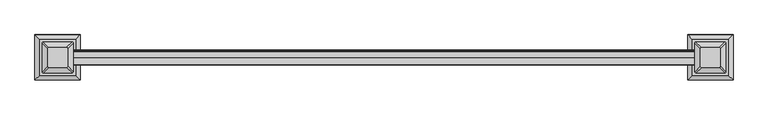
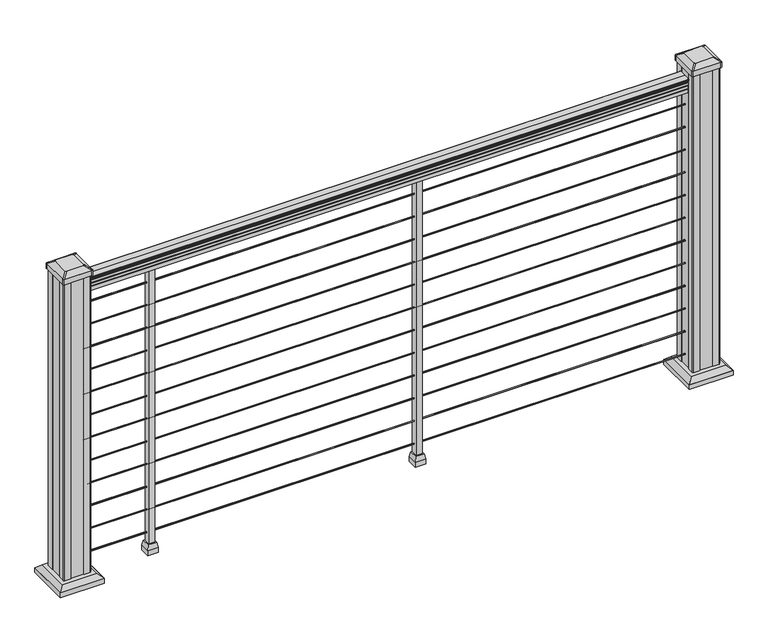
"""IFC4 building model written with IfcOpenShell, lengths in millimetres: railing geometry."""

from ifc_helpers import new_model, si_unit, point, frame, frame_2d, origin, origin_with_axes, place, context, project, spatial, polyline, circle_curve, trimmed, segment, composite_curve, outline, extrude, faceted_brep, source, transform, mapped, element, save
from ifc_brep_helpers import plane_surface, extruded_surface, advanced_brep


def railing_1e4b1fa7(model_context):
    return source(origin(), model_context, "Body", "SolidModel", [
        extrude(outline(composite_curve([segment(polyline([(-101867.7992427, 938.4043297), (-101867.7992427, 940.292412)]), True, "CONTINUOUS"), segment(trimmed(circle_curve(frame_2d((-101861.4844895, 946.0506383)), 8.545951), [point((-101867.7992427, 940.292412))], [point((-101868.929429, 941.8546695))], False, "CARTESIAN"), True, "CONTINUOUS"), segment(trimmed(circle_curve(frame_2d((-101861.9215524, 945.4636577)), 7.882584), [point((-101868.929429, 941.8546695))], [point((-101868.929429, 949.0726458))], False, "CARTESIAN"), True, "CONTINUOUS"), segment(trimmed(circle_curve(frame_2d((-101872.4348766, 951.3112527)), 4.1592695), [point((-101868.929429, 949.0726458))], [point((-101868.2801726, 951.5060812))], True, "CARTESIAN"), True, "CONTINUOUS"), segment(trimmed(circle_curve(frame_2d((-101873.7221831, 951.2508864)), 5.4479907), [point((-101868.2801726, 951.5060812))], [point((-101870.7801726, 955.8362083))], True, "CARTESIAN"), True, "CONTINUOUS"), segment(trimmed(circle_curve(frame_2d((-101872.4890247, 955.833395)), 1.7088543), [point((-101870.7801726, 955.8362083))], [point((-101872.1895151, 957.5157972))], True, "CARTESIAN"), True, "CONTINUOUS"), segment(trimmed(circle_curve(frame_2d((-101870.8721246, 958.6205318)), 1.7192895), [point((-101872.1895151, 957.5157972))], [point((-101872.5914141, 958.6205318))], False, "CARTESIAN"), True, "CONTINUOUS"), segment(polyline([(-101872.5914141, 958.6205318), (-101872.591414, 959.9608158)]), True, "CONTINUOUS"), segment(trimmed(circle_curve(frame_2d((-101871.0379668, 959.9608158)), 1.5534472), [point((-101872.591414, 959.9608158))], [point((-101871.0379668, 961.514263))], False, "CARTESIAN"), True, "CONTINUOUS"), segment(polyline([(-101871.0379668, 961.514263), (-101850.366414, 961.514263), (-101829.6948612, 961.514263)]), True, "CONTINUOUS"), segment(trimmed(circle_curve(frame_2d((-101829.6948612, 959.9608158)), 1.5534472), [point((-101829.6948612, 961.514263))], [point((-101828.141414, 959.9608158))], False, "CARTESIAN"), True, "CONTINUOUS"), segment(polyline([(-101828.141414, 959.9608158), (-101828.141414, 958.6205318)]), True, "CONTINUOUS"), segment(trimmed(circle_curve(frame_2d((-101829.8607034, 958.6205318)), 1.7192895), [point((-101828.141414, 958.6205318))], [point((-101828.5433129, 957.5157972))], False, "CARTESIAN"), True, "CONTINUOUS"), segment(trimmed(circle_curve(frame_2d((-101828.2438033, 955.833395)), 1.7088543), [point((-101828.5433129, 957.5157972))], [point((-101829.9526554, 955.8362083))], True, "CARTESIAN"), True, "CONTINUOUS"), segment(trimmed(circle_curve(frame_2d((-101827.0106449, 951.2508864)), 5.4479907), [point((-101829.9526554, 955.8362083))], [point((-101832.4526554, 951.5060812))], True, "CARTESIAN"), True, "CONTINUOUS"), segment(trimmed(circle_curve(frame_2d((-101828.2979515, 951.3112527)), 4.1592695), [point((-101832.4526554, 951.5060812))], [point((-101831.803399, 949.0726458))], True, "CARTESIAN"), True, "CONTINUOUS"), segment(trimmed(circle_curve(frame_2d((-101838.8112756, 945.4636577)), 7.882584), [point((-101831.803399, 949.0726458))], [point((-101831.803399, 941.8546695))], False, "CARTESIAN"), True, "CONTINUOUS"), segment(trimmed(circle_curve(frame_2d((-101839.2483386, 946.0506383)), 8.545951), [point((-101831.803399, 941.8546695))], [point((-101832.9335853, 940.292412))], False, "CARTESIAN"), True, "CONTINUOUS"), segment(polyline([(-101832.9335853, 940.292412), (-101832.9335853, 938.4043297)]), True, "CONTINUOUS"), segment(trimmed(circle_curve(frame_2d((-101834.2204996, 938.4043297)), 1.2869144), [point((-101832.9335853, 938.4043297))], [point((-101835.507414, 938.4043297))], False, "CARTESIAN"), True, "CONTINUOUS"), segment(polyline([(-101835.507414, 938.4043297), (-101835.507414, 927.9048283), (-101834.491414, 926.8888283), (-101834.491414, 914.4), (-101866.241414, 914.4), (-101866.241414, 926.731013), (-101865.225414, 927.747013), (-101865.225414, 938.4043297)]), True, "CONTINUOUS"), segment(trimmed(circle_curve(frame_2d((-101866.5123284, 938.4043297)), 1.2869144), [point((-101865.225414, 938.4043297))], [point((-101867.7992427, 938.4043297))], False, "CARTESIAN"), True, "CONTINUOUS")], self_intersect=False)), frame((16993.5598713, 0.0, 0.0), z_axis=(1.0, 0.0, 0.0), x_axis=(0.0, 1.0, 0.0)), (0.0, 0.0, 1.0), 1828.8),
        extrude(outline(composite_curve([segment(trimmed(circle_curve(frame_2d((-101850.366414, 65.024)), 1.5875), [point((-101848.778914, 65.024))], [point((-101850.366414, 63.4365))], False, "CARTESIAN"), True, "CONTINUOUS"), segment(trimmed(circle_curve(frame_2d((-101850.366414, 65.024)), 1.5875), [point((-101850.366414, 63.4365))], [point((-101851.953914, 65.024))], False, "CARTESIAN"), True, "CONTINUOUS"), segment(trimmed(circle_curve(frame_2d((-101850.366414, 65.024)), 1.5875), [point((-101851.953914, 65.024))], [point((-101850.366414, 66.6115))], False, "CARTESIAN"), True, "CONTINUOUS"), segment(trimmed(circle_curve(frame_2d((-101850.366414, 65.024)), 1.5875), [point((-101850.366414, 66.6115))], [point((-101848.778914, 65.024))], False, "CARTESIAN"), True, "CONTINUOUS")], self_intersect=False)), frame((16993.5598713, 0.0, 0.0), z_axis=(1.0, 0.0, 0.0), x_axis=(0.0, 1.0, 0.0)), (0.0, 0.0, 1.0), 1828.8),
        extrude(outline(composite_curve([segment(trimmed(circle_curve(frame_2d((-101850.366414, 138.176)), 1.5875), [point((-101848.778914, 138.176))], [point((-101850.366414, 136.5885))], False, "CARTESIAN"), True, "CONTINUOUS"), segment(trimmed(circle_curve(frame_2d((-101850.366414, 138.176)), 1.5875), [point((-101850.366414, 136.5885))], [point((-101851.953914, 138.176))], False, "CARTESIAN"), True, "CONTINUOUS"), segment(trimmed(circle_curve(frame_2d((-101850.366414, 138.176)), 1.5875), [point((-101851.953914, 138.176))], [point((-101850.366414, 139.7635))], False, "CARTESIAN"), True, "CONTINUOUS"), segment(trimmed(circle_curve(frame_2d((-101850.366414, 138.176)), 1.5875), [point((-101850.366414, 139.7635))], [point((-101848.778914, 138.176))], False, "CARTESIAN"), True, "CONTINUOUS")], self_intersect=False)), frame((16993.5598713, 0.0, 0.0), z_axis=(1.0, 0.0, 0.0), x_axis=(0.0, 1.0, 0.0)), (0.0, 0.0, 1.0), 1828.8),
        extrude(outline(composite_curve([segment(trimmed(circle_curve(frame_2d((-101850.366414, 211.074)), 1.5875), [point((-101848.778914, 211.074))], [point((-101850.366414, 209.4865))], False, "CARTESIAN"), True, "CONTINUOUS"), segment(trimmed(circle_curve(frame_2d((-101850.366414, 211.074)), 1.5875), [point((-101850.366414, 209.4865))], [point((-101851.953914, 211.074))], False, "CARTESIAN"), True, "CONTINUOUS"), segment(trimmed(circle_curve(frame_2d((-101850.366414, 211.074)), 1.5875), [point((-101851.953914, 211.074))], [point((-101850.366414, 212.6615))], False, "CARTESIAN"), True, "CONTINUOUS"), segment(trimmed(circle_curve(frame_2d((-101850.366414, 211.074)), 1.5875), [point((-101850.366414, 212.6615))], [point((-101848.778914, 211.074))], False, "CARTESIAN"), True, "CONTINUOUS")], self_intersect=False)), frame((16993.5598713, 0.0, 0.0), z_axis=(1.0, 0.0, 0.0), x_axis=(0.0, 1.0, 0.0)), (0.0, 0.0, 1.0), 1828.8),
        extrude(outline(composite_curve([segment(trimmed(circle_curve(frame_2d((-101850.366414, 284.226)), 1.5875), [point((-101848.778914, 284.226))], [point((-101850.366414, 282.6385))], False, "CARTESIAN"), True, "CONTINUOUS"), segment(trimmed(circle_curve(frame_2d((-101850.366414, 284.226)), 1.5875), [point((-101850.366414, 282.6385))], [point((-101851.953914, 284.226))], False, "CARTESIAN"), True, "CONTINUOUS"), segment(trimmed(circle_curve(frame_2d((-101850.366414, 284.226)), 1.5875), [point((-101851.953914, 284.226))], [point((-101850.366414, 285.8135))], False, "CARTESIAN"), True, "CONTINUOUS"), segment(trimmed(circle_curve(frame_2d((-101850.366414, 284.226)), 1.5875), [point((-101850.366414, 285.8135))], [point((-101848.778914, 284.226))], False, "CARTESIAN"), True, "CONTINUOUS")], self_intersect=False)), frame((16993.5598713, 0.0, 0.0), z_axis=(1.0, 0.0, 0.0), x_axis=(0.0, 1.0, 0.0)), (0.0, 0.0, 1.0), 1828.8),
        extrude(outline(composite_curve([segment(trimmed(circle_curve(frame_2d((-101850.366414, 357.124)), 1.5875), [point((-101848.778914, 357.124))], [point((-101850.366414, 355.5365))], False, "CARTESIAN"), True, "CONTINUOUS"), segment(trimmed(circle_curve(frame_2d((-101850.366414, 357.124)), 1.5875), [point((-101850.366414, 355.5365))], [point((-101851.953914, 357.124))], False, "CARTESIAN"), True, "CONTINUOUS"), segment(trimmed(circle_curve(frame_2d((-101850.366414, 357.124)), 1.5875), [point((-101851.953914, 357.124))], [point((-101850.366414, 358.7115))], False, "CARTESIAN"), True, "CONTINUOUS"), segment(trimmed(circle_curve(frame_2d((-101850.366414, 357.124)), 1.5875), [point((-101850.366414, 358.7115))], [point((-101848.778914, 357.124))], False, "CARTESIAN"), True, "CONTINUOUS")], self_intersect=False)), frame((16993.5598713, 0.0, 0.0), z_axis=(1.0, 0.0, 0.0), x_axis=(0.0, 1.0, 0.0)), (0.0, 0.0, 1.0), 1828.8),
        extrude(outline(composite_curve([segment(trimmed(circle_curve(frame_2d((-101850.366414, 430.276)), 1.5875), [point((-101848.778914, 430.276))], [point((-101850.366414, 428.6885))], False, "CARTESIAN"), True, "CONTINUOUS"), segment(trimmed(circle_curve(frame_2d((-101850.366414, 430.276)), 1.5875), [point((-101850.366414, 428.6885))], [point((-101851.953914, 430.276))], False, "CARTESIAN"), True, "CONTINUOUS"), segment(trimmed(circle_curve(frame_2d((-101850.366414, 430.276)), 1.5875), [point((-101851.953914, 430.276))], [point((-101850.366414, 431.8635))], False, "CARTESIAN"), True, "CONTINUOUS"), segment(trimmed(circle_curve(frame_2d((-101850.366414, 430.276)), 1.5875), [point((-101850.366414, 431.8635))], [point((-101848.778914, 430.276))], False, "CARTESIAN"), True, "CONTINUOUS")], self_intersect=False)), frame((16993.5598713, 0.0, 0.0), z_axis=(1.0, 0.0, 0.0), x_axis=(0.0, 1.0, 0.0)), (0.0, 0.0, 1.0), 1828.8),
        extrude(outline(composite_curve([segment(trimmed(circle_curve(frame_2d((-101850.366414, 503.174)), 1.5875), [point((-101848.778914, 503.174))], [point((-101850.366414, 501.5865))], False, "CARTESIAN"), True, "CONTINUOUS"), segment(trimmed(circle_curve(frame_2d((-101850.366414, 503.174)), 1.5875), [point((-101850.366414, 501.5865))], [point((-101851.953914, 503.174))], False, "CARTESIAN"), True, "CONTINUOUS"), segment(trimmed(circle_curve(frame_2d((-101850.366414, 503.174)), 1.5875), [point((-101851.953914, 503.174))], [point((-101850.366414, 504.7615))], False, "CARTESIAN"), True, "CONTINUOUS"), segment(trimmed(circle_curve(frame_2d((-101850.366414, 503.174)), 1.5875), [point((-101850.366414, 504.7615))], [point((-101848.778914, 503.174))], False, "CARTESIAN"), True, "CONTINUOUS")], self_intersect=False)), frame((16993.5598713, 0.0, 0.0), z_axis=(1.0, 0.0, 0.0), x_axis=(0.0, 1.0, 0.0)), (0.0, 0.0, 1.0), 1828.8),
        extrude(outline(composite_curve([segment(trimmed(circle_curve(frame_2d((-101850.366414, 576.326)), 1.5875), [point((-101848.778914, 576.326))], [point((-101850.366414, 574.7385))], False, "CARTESIAN"), True, "CONTINUOUS"), segment(trimmed(circle_curve(frame_2d((-101850.366414, 576.326)), 1.5875), [point((-101850.366414, 574.7385))], [point((-101851.953914, 576.326))], False, "CARTESIAN"), True, "CONTINUOUS"), segment(trimmed(circle_curve(frame_2d((-101850.366414, 576.326)), 1.5875), [point((-101851.953914, 576.326))], [point((-101850.366414, 577.9135))], False, "CARTESIAN"), True, "CONTINUOUS"), segment(trimmed(circle_curve(frame_2d((-101850.366414, 576.326)), 1.5875), [point((-101850.366414, 577.9135))], [point((-101848.778914, 576.326))], False, "CARTESIAN"), True, "CONTINUOUS")], self_intersect=False)), frame((16993.5598713, 0.0, 0.0), z_axis=(1.0, 0.0, 0.0), x_axis=(0.0, 1.0, 0.0)), (0.0, 0.0, 1.0), 1828.8),
        extrude(outline(composite_curve([segment(trimmed(circle_curve(frame_2d((-101850.366414, 649.224)), 1.5875), [point((-101848.778914, 649.224))], [point((-101850.366414, 647.6365))], False, "CARTESIAN"), True, "CONTINUOUS"), segment(trimmed(circle_curve(frame_2d((-101850.366414, 649.224)), 1.5875), [point((-101850.366414, 647.6365))], [point((-101851.953914, 649.224))], False, "CARTESIAN"), True, "CONTINUOUS"), segment(trimmed(circle_curve(frame_2d((-101850.366414, 649.224)), 1.5875), [point((-101851.953914, 649.224))], [point((-101850.366414, 650.8115))], False, "CARTESIAN"), True, "CONTINUOUS"), segment(trimmed(circle_curve(frame_2d((-101850.366414, 649.224)), 1.5875), [point((-101850.366414, 650.8115))], [point((-101848.778914, 649.224))], False, "CARTESIAN"), True, "CONTINUOUS")], self_intersect=False)), frame((16993.5598713, 0.0, 0.0), z_axis=(1.0, 0.0, 0.0), x_axis=(0.0, 1.0, 0.0)), (0.0, 0.0, 1.0), 1828.8),
        extrude(outline(composite_curve([segment(trimmed(circle_curve(frame_2d((-101850.366414, 722.376)), 1.5875), [point((-101848.778914, 722.376))], [point((-101850.366414, 720.7885))], False, "CARTESIAN"), True, "CONTINUOUS"), segment(trimmed(circle_curve(frame_2d((-101850.366414, 722.376)), 1.5875), [point((-101850.366414, 720.7885))], [point((-101851.953914, 722.376))], False, "CARTESIAN"), True, "CONTINUOUS"), segment(trimmed(circle_curve(frame_2d((-101850.366414, 722.376)), 1.5875), [point((-101851.953914, 722.376))], [point((-101850.366414, 723.9635))], False, "CARTESIAN"), True, "CONTINUOUS"), segment(trimmed(circle_curve(frame_2d((-101850.366414, 722.376)), 1.5875), [point((-101850.366414, 723.9635))], [point((-101848.778914, 722.376))], False, "CARTESIAN"), True, "CONTINUOUS")], self_intersect=False)), frame((16993.5598713, 0.0, 0.0), z_axis=(1.0, 0.0, 0.0), x_axis=(0.0, 1.0, 0.0)), (0.0, 0.0, 1.0), 1828.8),
        extrude(outline(composite_curve([segment(trimmed(circle_curve(frame_2d((-101850.366414, 795.274)), 1.5875), [point((-101848.778914, 795.274))], [point((-101850.366414, 793.6865))], False, "CARTESIAN"), True, "CONTINUOUS"), segment(trimmed(circle_curve(frame_2d((-101850.366414, 795.274)), 1.5875), [point((-101850.366414, 793.6865))], [point((-101851.953914, 795.274))], False, "CARTESIAN"), True, "CONTINUOUS"), segment(trimmed(circle_curve(frame_2d((-101850.366414, 795.274)), 1.5875), [point((-101851.953914, 795.274))], [point((-101850.366414, 796.8615))], False, "CARTESIAN"), True, "CONTINUOUS"), segment(trimmed(circle_curve(frame_2d((-101850.366414, 795.274)), 1.5875), [point((-101850.366414, 796.8615))], [point((-101848.778914, 795.274))], False, "CARTESIAN"), True, "CONTINUOUS")], self_intersect=False)), frame((16993.5598713, 0.0, 0.0), z_axis=(1.0, 0.0, 0.0), x_axis=(0.0, 1.0, 0.0)), (0.0, 0.0, 1.0), 1828.8),
        extrude(outline(composite_curve([segment(trimmed(circle_curve(frame_2d((-101850.366414, 868.426)), 1.5875), [point((-101848.778914, 868.426))], [point((-101850.366414, 866.8385))], False, "CARTESIAN"), True, "CONTINUOUS"), segment(trimmed(circle_curve(frame_2d((-101850.366414, 868.426)), 1.5875), [point((-101850.366414, 866.8385))], [point((-101851.953914, 868.426))], False, "CARTESIAN"), True, "CONTINUOUS"), segment(trimmed(circle_curve(frame_2d((-101850.366414, 868.426)), 1.5875), [point((-101851.953914, 868.426))], [point((-101850.366414, 870.0135))], False, "CARTESIAN"), True, "CONTINUOUS"), segment(trimmed(circle_curve(frame_2d((-101850.366414, 868.426)), 1.5875), [point((-101850.366414, 870.0135))], [point((-101848.778914, 868.426))], False, "CARTESIAN"), True, "CONTINUOUS")], self_intersect=False)), frame((16993.5598713, 0.0, 0.0), z_axis=(1.0, 0.0, 0.0), x_axis=(0.0, 1.0, 0.0)), (0.0, 0.0, 1.0), 1828.8),
        faceted_brep([(17209.4598713, -101863.066414, 32.1497081), (17209.4598713, -101837.666414, 32.1497081), (17184.0598713, -101837.666414, 32.1497081), (17184.0598713, -101863.066414, 32.1497081), (17212.6348713, -101866.241414, 16.2747081), (17180.8848713, -101866.241414, 16.2747081), (17180.8848713, -101834.491414, 16.2747081), (17212.6348713, -101834.491414, 16.2747081)], [[[0, 1, 2, 3]], [[4, 5, 6, 7]], [[4, 7, 1, 0]], [[7, 6, 2, 1]], [[6, 5, 3, 2]], [[5, 4, 0, 3]]]),
        extrude(outline(polyline([(17212.6348713, -101866.241414), (17180.8848713, -101866.241414), (17180.8848713, -101834.491414), (17212.6348713, -101834.491414), (17212.6348713, -101866.241414)])), origin_with_axes(), (0.0, 0.0, 1.0), 16.2747081),
        extrude(outline(polyline([(17206.2848713, -101859.891414), (17187.2348713, -101859.891414), (17187.2348713, -101840.841414), (17206.2848713, -101840.841414), (17206.2848713, -101859.891414)])), origin_with_axes(), (0.0, 0.0, 1.0), 914.4),
        faceted_brep([(18022.2598713, -101863.066414, 32.1497081), (18022.2598713, -101837.666414, 32.1497081), (17996.8598713, -101837.666414, 32.1497081), (17996.8598713, -101863.066414, 32.1497081), (18025.4348713, -101866.241414, 16.2747081), (17993.6848713, -101866.241414, 16.2747081), (17993.6848713, -101834.491414, 16.2747081), (18025.4348713, -101834.491414, 16.2747081)], [[[0, 1, 2, 3]], [[4, 5, 6, 7]], [[4, 7, 1, 0]], [[7, 6, 2, 1]], [[6, 5, 3, 2]], [[5, 4, 0, 3]]]),
        extrude(outline(polyline([(18025.4348713, -101866.241414), (17993.6848713, -101866.241414), (17993.6848713, -101834.491414), (18025.4348713, -101834.491414), (18025.4348713, -101866.241414)])), origin_with_axes(), (0.0, 0.0, 1.0), 16.2747081),
        extrude(outline(polyline([(18019.0848713, -101859.891414), (18000.0348713, -101859.891414), (18000.0348713, -101840.841414), (18019.0848713, -101840.841414), (18019.0848713, -101859.891414)])), origin_with_axes(), (0.0, 0.0, 1.0), 914.4),
        faceted_brep([(17004.7438088, -101902.9523515, 28.575), (17004.7438088, -101797.7804765, 28.575), (16899.5719338, -101797.7804765, 28.575), (16899.5719338, -101902.9523515, 28.575), (17018.783262, -101916.9918046, 15.24), (16885.5324807, -101916.9918046, 15.24), (16885.5324807, -101783.7410234, 15.24), (17018.783262, -101783.7410234, 15.24)], [[[0, 1, 2, 3]], [[4, 5, 6, 7]], [[4, 7, 1, 0]], [[7, 6, 2, 1]], [[6, 5, 3, 2]], [[5, 4, 0, 3]]]),
        extrude(outline(polyline([(17018.783262, -101916.9918046), (16885.5324807, -101916.9918046), (16885.5324807, -101783.7410234), (17018.783262, -101783.7410234), (17018.783262, -101916.9918046)])), origin_with_axes(), (0.0, 0.0, 1.0), 15.24),
        advanced_brep(
        [(16981.1297463, -101824.569539, 1012.825), (16977.9547463, -101821.394539, 1012.825), (16926.3609963, -101821.394539, 1012.825), (16923.1859963, -101824.569539, 1012.825), (16923.1859963, -101876.163289, 1012.825), (16926.3609963, -101879.338289, 1012.825), (16977.9547463, -101879.338289, 1012.825), (16981.1297463, -101876.163289, 1012.825), (16997.4016213, -101808.297664, 1001.522), (16997.4016213, -101892.435164, 1001.522), (16994.2266213, -101895.610164, 1001.522), (16910.0891213, -101895.610164, 1001.522), (16906.9141213, -101892.435164, 1001.522), (16906.9141213, -101808.297664, 1001.522), (16910.0891213, -101805.122664, 1001.522), (16994.2266213, -101805.122664, 1001.522)],
        [
            (0, 1, circle_curve(frame((16977.9547463, -101824.569539, 1012.825), z_axis=(0.0, 0.0, 1.0), x_axis=(-1.0, 0.0, 0.0)), 3.175)),
            (1, 2),
            (2, 3, circle_curve(frame((16926.3609963, -101824.569539, 1012.825), z_axis=(0.0, 0.0, 1.0), x_axis=(-1.0, 0.0, 0.0)), 3.175)),
            (3, 4),
            (4, 5, circle_curve(frame((16926.3609963, -101876.163289, 1012.825), z_axis=(0.0, 0.0, 1.0), x_axis=(-1.0, 0.0, 0.0)), 3.175)),
            (5, 6),
            (6, 7, circle_curve(frame((16977.9547463, -101876.163289, 1012.825), z_axis=(0.0, 0.0, 1.0), x_axis=(-1.0, 0.0, 0.0)), 3.175)),
            (7, 0),
            (8, 9),
            (9, 10, circle_curve(frame((16994.2266213, -101892.435164, 1001.522), z_axis=(0.0, 0.0, -1.0), x_axis=(-1.0, 0.0, 0.0)), 3.175)),
            (10, 11),
            (11, 12, circle_curve(frame((16910.0891213, -101892.435164, 1001.522), z_axis=(0.0, 0.0, -1.0), x_axis=(-1.0, 0.0, 0.0)), 3.175)),
            (12, 13),
            (13, 14, circle_curve(frame((16910.0891213, -101808.297664, 1001.522), z_axis=(0.0, 0.0, -1.0), x_axis=(-1.0, 0.0, 0.0)), 3.175)),
            (14, 15),
            (15, 8, circle_curve(frame((16994.2266213, -101808.297664, 1001.522), z_axis=(0.0, 0.0, -1.0), x_axis=(-1.0, 0.0, 0.0)), 3.175)),
            (15, 1),
            (0, 8),
            (14, 2),
            (13, 3),
            (12, 4),
            (11, 5),
            (10, 6),
            (9, 7),
        ],
        [
            plane_surface(frame((16952.1578713, -101850.366414, 1012.825), z_axis=(0.0, 0.0, 1.0), x_axis=(0.0, 1.0, 0.0))),
            plane_surface(frame((16952.1578713, -101850.366414, 1001.522), z_axis=(0.0, 0.0, -1.0), x_axis=(0.0, 1.0, 0.0))),
            extruded_surface(trimmed(circle_curve(frame((16994.2266213, -101808.297664, 1001.522), z_axis=(0.0, 0.0, 1.0), x_axis=(-1.0, 0.0, 0.0)), 3.175), [point((16997.4016213, -101808.297664, 1001.522))], [point((16994.2266213, -101805.122664, 1001.522))], True, "CARTESIAN"), (-16.271874999998545, -16.27187500000582, 11.302999999999997), 25.637972638868934),
            plane_surface(frame((16952.1578713, -101805.122664, 1001.522), z_axis=(0.0, 0.5705009161540779, 0.8212969649690408), x_axis=(-1.0, 0.0, 0.0))),
            extruded_surface(trimmed(circle_curve(frame((16910.0891213, -101808.297664, 1001.522), z_axis=(0.0, 0.0, 1.0), x_axis=(-1.0, 0.0, 0.0)), 3.175), [point((16910.0891213, -101805.122664, 1001.522))], [point((16906.9141213, -101808.297664, 1001.522))], True, "CARTESIAN"), (16.271875000002183, -16.27187500000582, 11.302999999999997), 25.63797263887124),
            plane_surface(frame((16906.9141213, -101850.366414, 1001.522), z_axis=(-0.5705009161540291, 0.0, 0.8212969649690747), x_axis=(0.0, -1.0, 0.0))),
            extruded_surface(trimmed(circle_curve(frame((16910.0891213, -101892.435164, 1001.522), z_axis=(0.0, 0.0, 1.0), x_axis=(-1.0, 0.0, 0.0)), 3.175), [point((16906.9141213, -101892.435164, 1001.522))], [point((16910.0891213, -101895.610164, 1001.522))], True, "CARTESIAN"), (16.271875000002183, 16.27187499999127, 11.302999999999997), 25.637972638862003),
            plane_surface(frame((16952.1578713, -101895.610164, 1001.522), z_axis=(0.0, -0.5705009161540141, 0.8212969649690851), x_axis=(1.0, 0.0, 0.0))),
            extruded_surface(trimmed(circle_curve(frame((16994.2266213, -101892.435164, 1001.522), z_axis=(0.0, 0.0, 1.0), x_axis=(-1.0, 0.0, 0.0)), 3.175), [point((16994.2266213, -101895.610164, 1001.522))], [point((16997.4016213, -101892.435164, 1001.522))], True, "CARTESIAN"), (-16.271874999998545, 16.27187499999127, 11.302999999999997), 25.637972638859697),
            plane_surface(frame((16997.4016213, -101850.366414, 1001.522), z_axis=(0.570500916154034, 0.0, 0.8212969649690713), x_axis=(0.0, 1.0, 0.0))),
        ],
        [
            (0, [[1, 2, 3, 4, 5, 6, 7, 8]]),
            (1, [[9, 10, 11, 12, 13, 14, 15, 16]]),
            (2, [[-16, 17, -1, 18]]),
            (3, [[-15, 19, -2, -17]]),
            (4, [[-14, 20, -3, -19]]),
            (5, [[-13, 21, -4, -20]]),
            (6, [[-12, 22, -5, -21]]),
            (7, [[-11, 23, -6, -22]]),
            (8, [[-10, 24, -7, -23]]),
            (9, [[-9, -18, -8, -24]]),
        ],
    ),
        extrude(outline(composite_curve([segment(polyline([(16997.4016213, -101808.297664), (16997.4016213, -101892.435164)]), True, "CONTINUOUS"), segment(trimmed(circle_curve(frame_2d((16994.2266213, -101892.435164)), 3.175), [point((16997.4016213, -101892.435164))], [point((16994.2266213, -101895.610164))], False, "CARTESIAN"), True, "CONTINUOUS"), segment(polyline([(16994.2266213, -101895.610164), (16910.0891213, -101895.610164)]), True, "CONTINUOUS"), segment(trimmed(circle_curve(frame_2d((16910.0891213, -101892.435164)), 3.175), [point((16910.0891213, -101895.610164))], [point((16906.9141213, -101892.435164))], False, "CARTESIAN"), True, "CONTINUOUS"), segment(polyline([(16906.9141213, -101892.435164), (16906.9141213, -101808.297664)]), True, "CONTINUOUS"), segment(trimmed(circle_curve(frame_2d((16910.0891213, -101808.297664)), 3.175), [point((16906.9141213, -101808.297664))], [point((16910.0891213, -101805.122664))], False, "CARTESIAN"), True, "CONTINUOUS"), segment(polyline([(16910.0891213, -101805.122664), (16994.2266213, -101805.122664)]), True, "CONTINUOUS"), segment(trimmed(circle_curve(frame_2d((16994.2266213, -101808.297664)), 3.175), [point((16994.2266213, -101805.122664))], [point((16997.4016213, -101808.297664))], False, "CARTESIAN"), True, "CONTINUOUS")], self_intersect=False)), frame((0.0, 0.0, 984.25), z_axis=(0.0, 0.0, 1.0), x_axis=(1.0, 0.0, 0.0)), (0.0, 0.0, 1.0), 17.272),
        extrude(outline(polyline([(16993.4328713, -101810.678914), (16993.4328713, -101830.300414), (16991.8453713, -101831.062414), (16991.8453713, -101869.670414), (16993.4328713, -101870.432414), (16993.4328713, -101890.053914), (16991.8453713, -101891.641414), (16972.2238713, -101891.641414), (16971.4618713, -101890.053914), (16932.8538713, -101890.053914), (16932.0918713, -101891.641414), (16912.4703713, -101891.641414), (16910.8828713, -101890.053914), (16910.8828713, -101870.432414), (16912.4703713, -101869.670414), (16912.4703713, -101831.062414), (16910.8828713, -101830.300414), (16910.8828713, -101810.678914), (16912.4703713, -101809.091414), (16932.0918713, -101809.091414), (16932.8538713, -101810.678914), (16971.4618713, -101810.678914), (16972.2238713, -101809.091414), (16991.8453713, -101809.091414), (16993.4328713, -101810.678914)])), origin_with_axes(), (0.0, 0.0, 1.0), 984.25),
        faceted_brep([(18916.3478088, -101902.9523515, 28.575), (18916.3478088, -101797.7804765, 28.575), (18811.1759338, -101797.7804765, 28.575), (18811.1759338, -101902.9523515, 28.575), (18930.387262, -101916.9918046, 15.24), (18797.1364807, -101916.9918046, 15.24), (18797.1364807, -101783.7410234, 15.24), (18930.387262, -101783.7410234, 15.24)], [[[0, 1, 2, 3]], [[4, 5, 6, 7]], [[4, 7, 1, 0]], [[7, 6, 2, 1]], [[6, 5, 3, 2]], [[5, 4, 0, 3]]]),
        extrude(outline(polyline([(18930.387262, -101916.9918046), (18797.1364807, -101916.9918046), (18797.1364807, -101783.7410234), (18930.387262, -101783.7410234), (18930.387262, -101916.9918046)])), origin_with_axes(), (0.0, 0.0, 1.0), 15.24),
        advanced_brep(
        [(18892.7337463, -101824.569539, 1012.825), (18889.5587463, -101821.394539, 1012.825), (18837.9649963, -101821.394539, 1012.825), (18834.7899963, -101824.569539, 1012.825), (18834.7899963, -101876.163289, 1012.825), (18837.9649963, -101879.338289, 1012.825), (18889.5587463, -101879.338289, 1012.825), (18892.7337463, -101876.163289, 1012.825), (18909.0056213, -101808.297664, 1001.522), (18909.0056213, -101892.435164, 1001.522), (18905.8306213, -101895.610164, 1001.522), (18821.6931213, -101895.610164, 1001.522), (18818.5181213, -101892.435164, 1001.522), (18818.5181213, -101808.297664, 1001.522), (18821.6931213, -101805.122664, 1001.522), (18905.8306213, -101805.122664, 1001.522)],
        [
            (0, 1, circle_curve(frame((18889.5587463, -101824.569539, 1012.825), z_axis=(0.0, 0.0, 1.0), x_axis=(-1.0, 0.0, 0.0)), 3.175)),
            (1, 2),
            (2, 3, circle_curve(frame((18837.9649963, -101824.569539, 1012.825), z_axis=(0.0, 0.0, 1.0), x_axis=(-1.0, 0.0, 0.0)), 3.175)),
            (3, 4),
            (4, 5, circle_curve(frame((18837.9649963, -101876.163289, 1012.825), z_axis=(0.0, 0.0, 1.0), x_axis=(-1.0, 0.0, 0.0)), 3.175)),
            (5, 6),
            (6, 7, circle_curve(frame((18889.5587463, -101876.163289, 1012.825), z_axis=(0.0, 0.0, 1.0), x_axis=(-1.0, 0.0, 0.0)), 3.175)),
            (7, 0),
            (8, 9),
            (9, 10, circle_curve(frame((18905.8306213, -101892.435164, 1001.522), z_axis=(0.0, 0.0, -1.0), x_axis=(-1.0, 0.0, 0.0)), 3.175)),
            (10, 11),
            (11, 12, circle_curve(frame((18821.6931213, -101892.435164, 1001.522), z_axis=(0.0, 0.0, -1.0), x_axis=(-1.0, 0.0, 0.0)), 3.175)),
            (12, 13),
            (13, 14, circle_curve(frame((18821.6931213, -101808.297664, 1001.522), z_axis=(0.0, 0.0, -1.0), x_axis=(-1.0, 0.0, 0.0)), 3.175)),
            (14, 15),
            (15, 8, circle_curve(frame((18905.8306213, -101808.297664, 1001.522), z_axis=(0.0, 0.0, -1.0), x_axis=(-1.0, 0.0, 0.0)), 3.175)),
            (15, 1),
            (0, 8),
            (14, 2),
            (13, 3),
            (12, 4),
            (11, 5),
            (10, 6),
            (9, 7),
        ],
        [
            plane_surface(frame((18863.7618713, -101850.366414, 1012.825), z_axis=(0.0, 0.0, 1.0), x_axis=(0.0, 1.0, 0.0))),
            plane_surface(frame((18863.7618713, -101850.366414, 1001.522), z_axis=(0.0, 0.0, -1.0), x_axis=(0.0, 1.0, 0.0))),
            extruded_surface(trimmed(circle_curve(frame((18905.8306213, -101808.297664, 1001.522), z_axis=(0.0, 0.0, 1.0), x_axis=(-1.0, 0.0, 0.0)), 3.175), [point((18909.0056213, -101808.297664, 1001.522))], [point((18905.8306213, -101805.122664, 1001.522))], True, "CARTESIAN"), (-16.271874999998545, -16.27187500000582, 11.302999999999997), 25.637972638868934),
            plane_surface(frame((18863.7618713, -101805.122664, 1001.522), z_axis=(0.0, 0.5705009161540779, 0.8212969649690408), x_axis=(-1.0, 0.0, 0.0))),
            extruded_surface(trimmed(circle_curve(frame((18821.6931213, -101808.297664, 1001.522), z_axis=(0.0, 0.0, 1.0), x_axis=(-1.0, 0.0, 0.0)), 3.175), [point((18821.6931213, -101805.122664, 1001.522))], [point((18818.5181213, -101808.297664, 1001.522))], True, "CARTESIAN"), (16.271875000002183, -16.27187500000582, 11.302999999999997), 25.63797263887124),
            plane_surface(frame((18818.5181213, -101850.366414, 1001.522), z_axis=(-0.5705009161540291, 0.0, 0.8212969649690747), x_axis=(0.0, -1.0, 0.0))),
            extruded_surface(trimmed(circle_curve(frame((18821.6931213, -101892.435164, 1001.522), z_axis=(0.0, 0.0, 1.0), x_axis=(-1.0, 0.0, 0.0)), 3.175), [point((18818.5181213, -101892.435164, 1001.522))], [point((18821.6931213, -101895.610164, 1001.522))], True, "CARTESIAN"), (16.271875000002183, 16.27187499999127, 11.302999999999997), 25.637972638862003),
            plane_surface(frame((18863.7618713, -101895.610164, 1001.522), z_axis=(0.0, -0.5705009161540141, 0.8212969649690851), x_axis=(1.0, 0.0, 0.0))),
            extruded_surface(trimmed(circle_curve(frame((18905.8306213, -101892.435164, 1001.522), z_axis=(0.0, 0.0, 1.0), x_axis=(-1.0, 0.0, 0.0)), 3.175), [point((18905.8306213, -101895.610164, 1001.522))], [point((18909.0056213, -101892.435164, 1001.522))], True, "CARTESIAN"), (-16.271874999998545, 16.27187499999127, 11.302999999999997), 25.637972638859697),
            plane_surface(frame((18909.0056213, -101850.366414, 1001.522), z_axis=(0.570500916154034, 0.0, 0.8212969649690713), x_axis=(0.0, 1.0, 0.0))),
        ],
        [
            (0, [[1, 2, 3, 4, 5, 6, 7, 8]]),
            (1, [[9, 10, 11, 12, 13, 14, 15, 16]]),
            (2, [[-16, 17, -1, 18]]),
            (3, [[-15, 19, -2, -17]]),
            (4, [[-14, 20, -3, -19]]),
            (5, [[-13, 21, -4, -20]]),
            (6, [[-12, 22, -5, -21]]),
            (7, [[-11, 23, -6, -22]]),
            (8, [[-10, 24, -7, -23]]),
            (9, [[-9, -18, -8, -24]]),
        ],
    ),
        extrude(outline(composite_curve([segment(polyline([(18909.0056213, -101808.297664), (18909.0056213, -101892.435164)]), True, "CONTINUOUS"), segment(trimmed(circle_curve(frame_2d((18905.8306213, -101892.435164)), 3.175), [point((18909.0056213, -101892.435164))], [point((18905.8306213, -101895.610164))], False, "CARTESIAN"), True, "CONTINUOUS"), segment(polyline([(18905.8306213, -101895.610164), (18821.6931213, -101895.610164)]), True, "CONTINUOUS"), segment(trimmed(circle_curve(frame_2d((18821.6931213, -101892.435164)), 3.175), [point((18821.6931213, -101895.610164))], [point((18818.5181213, -101892.435164))], False, "CARTESIAN"), True, "CONTINUOUS"), segment(polyline([(18818.5181213, -101892.435164), (18818.5181213, -101808.297664)]), True, "CONTINUOUS"), segment(trimmed(circle_curve(frame_2d((18821.6931213, -101808.297664)), 3.175), [point((18818.5181213, -101808.297664))], [point((18821.6931213, -101805.122664))], False, "CARTESIAN"), True, "CONTINUOUS"), segment(polyline([(18821.6931213, -101805.122664), (18905.8306213, -101805.122664)]), True, "CONTINUOUS"), segment(trimmed(circle_curve(frame_2d((18905.8306213, -101808.297664)), 3.175), [point((18905.8306213, -101805.122664))], [point((18909.0056213, -101808.297664))], False, "CARTESIAN"), True, "CONTINUOUS")], self_intersect=False)), frame((0.0, 0.0, 984.25), z_axis=(0.0, 0.0, 1.0), x_axis=(1.0, 0.0, 0.0)), (0.0, 0.0, 1.0), 17.272),
        extrude(outline(polyline([(18905.0368713, -101810.678914), (18905.0368713, -101830.300414), (18903.4493713, -101831.062414), (18903.4493713, -101869.670414), (18905.0368713, -101870.432414), (18905.0368713, -101890.053914), (18903.4493713, -101891.641414), (18883.8278713, -101891.641414), (18883.0658713, -101890.053914), (18844.4578713, -101890.053914), (18843.6958713, -101891.641414), (18824.0743713, -101891.641414), (18822.4868713, -101890.053914), (18822.4868713, -101870.432414), (18824.0743713, -101869.670414), (18824.0743713, -101831.062414), (18822.4868713, -101830.300414), (18822.4868713, -101810.678914), (18824.0743713, -101809.091414), (18843.6958713, -101809.091414), (18844.4578713, -101810.678914), (18883.0658713, -101810.678914), (18883.8278713, -101809.091414), (18903.4493713, -101809.091414), (18905.0368713, -101810.678914)])), origin_with_axes(), (0.0, 0.0, 1.0), 984.25),
    ])


if __name__ == "__main__":
    model = new_model("IFC4")
    model_context = context("Model", 3, world=origin())
    ifc_project = project(units=[si_unit("LENGTHUNIT", "METRE", prefix="MILLI")], contexts=[model_context])
    site = spatial("IfcSite", under=ifc_project)
    building = spatial("IfcBuilding", under=site)
    placement = place(None, origin())
    railing_shape = railing_1e4b1fa7(model_context)
    element("IfcRailing", 1, at=placement, inside=building, context=model_context, shape_type="MappedRepresentation", body=[
        mapped(railing_shape, transform((0.0, 0.0, 0.0), x_axis=(1.0, 0.0, 0.0), y_axis=(0.0, 1.0, 0.0), z_axis=(0.0, 0.0, 1.0))),
    ])
    save(model, "model.ifc")
